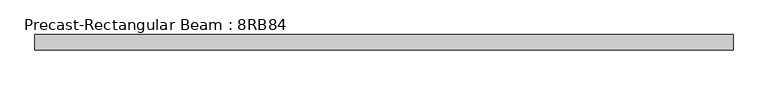
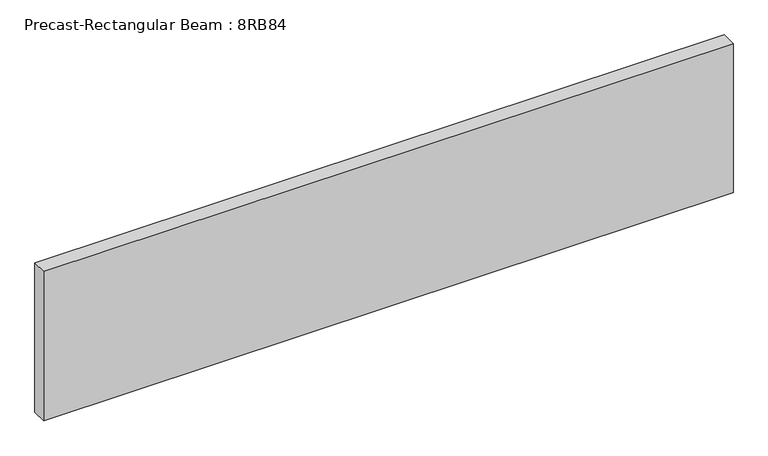
"""IFC4 building model written with IfcOpenShell, lengths in millimetres: beam geometry, Precast-Rectangular Beam : 8RB84."""

from ifc_helpers import new_model, si_unit, frame, origin, place, context, project, spatial, polyline, outline, extrude, source, transform, mapped, element, save


def precast_rectangular_beam_8rb84_d3363d51(model_context):
    return source(origin(), model_context, "Body", "SweptSolid", [
        extrude(outline(polyline([(4711.6999994, 101.6), (4711.6999994, -101.6), (-4610.1, -101.6), (-4610.1, 101.6), (4711.6999994, 101.6)])), frame((0.0, 0.0, -1066.8), z_axis=(0.0, 0.0, 1.0), x_axis=(1.0, 0.0, 0.0)), (0.0, 0.0, 1.0), 2133.6),
    ])


if __name__ == "__main__":
    model = new_model("IFC4")
    model_context = context("Model", 3, world=origin())
    ifc_project = project(units=[si_unit("LENGTHUNIT", "METRE", prefix="MILLI")], contexts=[model_context])
    site = spatial("IfcSite", under=ifc_project)
    building = spatial("IfcBuilding", under=site)
    placement = place(None, origin())
    precast_rectangular_beam_8rb84_shape = precast_rectangular_beam_8rb84_d3363d51(model_context)
    element("IfcBeam", 1, ObjectType="Precast-Rectangular Beam : 8RB84", at=placement, inside=building, context=model_context, shape_type="MappedRepresentation", body=[
        mapped(precast_rectangular_beam_8rb84_shape, transform((0.0, 0.0, 0.0), x_axis=(1.0, 0.0, 0.0), y_axis=(0.0, 1.0, 0.0), z_axis=(0.0, 0.0, 1.0))),
    ])
    save(model, "model.ifc")
